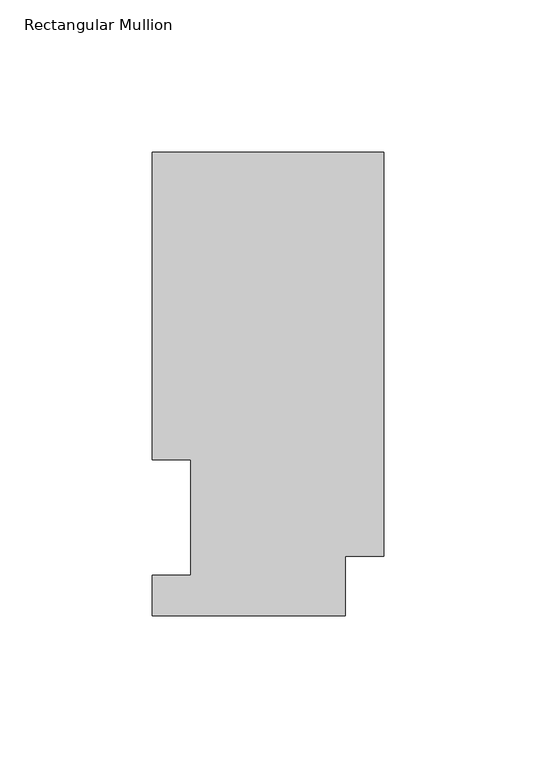
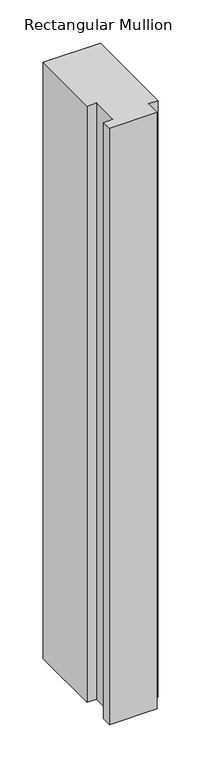
"""IFC4 building model written with IfcOpenShell, lengths in millimetres: member geometry, Rectangular Mullion."""

from ifc_helpers import new_model, si_unit, frame, origin, place, context, project, spatial, polyline, outline, extrude, source, transform, mapped, element, save


def rectangular_mullion_a6510a8d(model_context):
    return source(origin(), model_context, "Body", "SweptSolid", [
        extrude(outline(polyline([(0.0, 152.4896938), (0.0, 19.5455957), (-12.7, 19.5455957), (-12.7, 0.0134938), (-76.2, 0.0134938), (-76.2, 13.1960938), (-63.5, 13.1960938), (-63.5, 51.2960937), (-76.2, 51.2960937), (-76.2, 152.4896938), (0.0, 152.4896938)])), frame((0.0, 0.0, -838.2), z_axis=(0.0, 0.0, 1.0), x_axis=(1.0, 0.0, 0.0)), (0.0, 0.0, 1.0), 838.2),
    ])


if __name__ == "__main__":
    model = new_model("IFC4")
    model_context = context("Model", 3, world=origin())
    ifc_project = project(units=[si_unit("LENGTHUNIT", "METRE", prefix="MILLI")], contexts=[model_context])
    site = spatial("IfcSite", under=ifc_project)
    building = spatial("IfcBuilding", under=site)
    placement = place(None, origin())
    rectangular_mullion_shape = rectangular_mullion_a6510a8d(model_context)
    element("IfcMember", 1, ObjectType="Rectangular Mullion", at=placement, inside=building, context=model_context, shape_type="MappedRepresentation", body=[
        mapped(rectangular_mullion_shape, transform((0.0, 0.0, 0.0), x_axis=(1.0, 0.0, 0.0), y_axis=(0.0, 1.0, 0.0), z_axis=(0.0, 0.0, 1.0))),
    ])
    save(model, "model.ifc")
